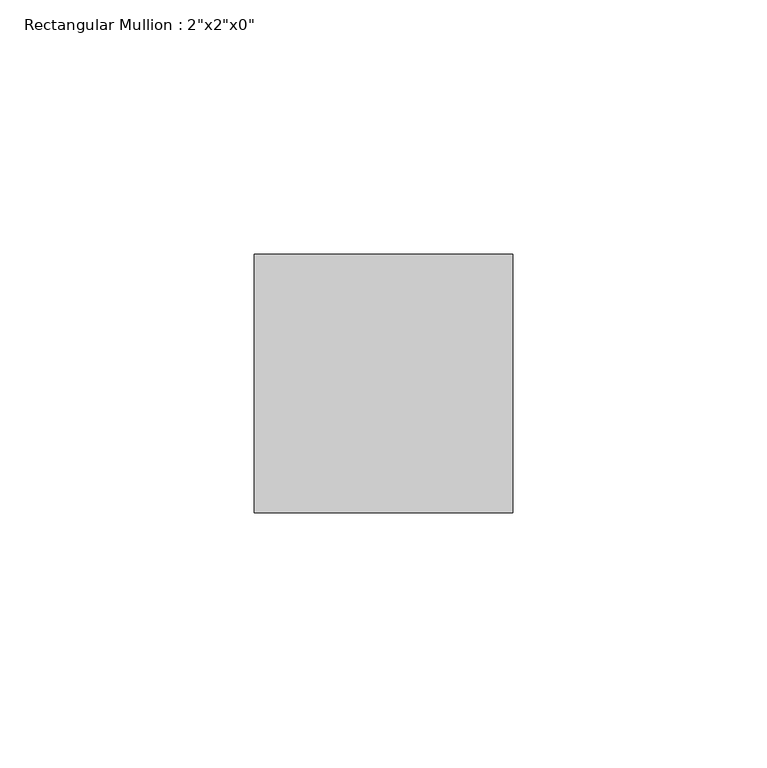
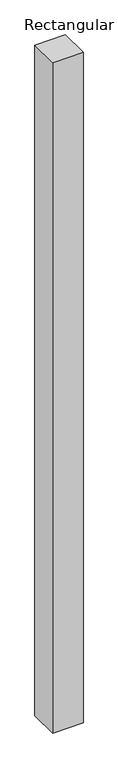
"""IFC4 building model written with IfcOpenShell, lengths in millimetres: member geometry."""

import ifcopenshell
import ifcopenshell.guid

model = None  # the IFC model being written
_history = None  # IfcOwnerHistory: only IFC2X3 demands one
_inside = {}  # id of a spatial element -> (the spatial element, [elements in it])
_under = {}  # id of a project, library or spatial element -> (it, [spatial elements below it])
_declared = {}  # id of a project -> (the project, [libraries it declares])
_typed = {}  # id of a type object -> (the type object, [elements of that type])
_made_of = {}  # id of a material, layer set ... -> (it, [elements and type objects made of it])


def new_model(schema):
    """Start an empty IFC model of exactly this schema.

    Asked for "IFC4X3", IfcOpenShell would pick the latest addendum, in which some entities
    have other attributes; the version numbers below select the first issue.
    IFC2X3 requires an IfcOwnerHistory on every rooted entity: one is made here for all.
    """
    global model, _history
    if schema == "IFC4X3":
        model = ifcopenshell.file(schema_version=(4, 3, 0, 0))
    else:
        model = ifcopenshell.file(schema=schema)
    _inside.clear()
    _under.clear()
    _declared.clear()
    _typed.clear()
    _made_of.clear()
    _history = None
    if model.schema == "IFC2X3":
        org = make("IfcOrganization", Name="unknown")
        user = make(
            "IfcPersonAndOrganization",
            ThePerson=make("IfcPerson", FamilyName="unknown"),
            TheOrganization=org,
        )
        app = make(
            "IfcApplication",
            ApplicationDeveloper=org,
            Version="unknown",
            ApplicationFullName="unknown",
            ApplicationIdentifier="unknown",
        )
        _history = make(
            "IfcOwnerHistory",
            OwningUser=user,
            OwningApplication=app,
            ChangeAction="ADDED",
            CreationDate=0,
        )
    return model


def make(cls, **values):
    """One entity of the class cls with the attributes given. An attribute that is None is left unset."""
    return model.create_entity(
        cls, **{name: value for name, value in values.items() if value is not None}
    )


def rooted(cls, **values):
    """An entity with a GlobalId (a new one), such as an element, a storey or a relation."""
    return make(cls, GlobalId=ifcopenshell.guid.new(), OwnerHistory=_history, **values)


def si_unit(unit_type, name, prefix=None):
    """IfcSIUnit, for example si_unit("LENGTHUNIT", "METRE", prefix="MILLI")."""
    return make("IfcSIUnit", UnitType=unit_type, Prefix=prefix, Name=name)


def assignment(units):
    """IfcUnitAssignment: the units of a project."""
    return None if units is None else make("IfcUnitAssignment", Units=units)


def point(xyz):
    """IfcCartesianPoint."""
    return None if xyz is None else make("IfcCartesianPoint", Coordinates=xyz)


def direction(xyz):
    """IfcDirection."""
    return None if xyz is None else make("IfcDirection", DirectionRatios=xyz)


def frame(location, z_axis=None, x_axis=None):
    """IfcAxis2Placement3D, a coordinate frame: its origin and axes. An axis left out is left unset."""
    return make(
        "IfcAxis2Placement3D",
        Location=point(location),
        Axis=direction(z_axis),
        RefDirection=direction(x_axis),
    )


def origin():
    """The frame at (0, 0, 0) with its axes left unset."""
    return frame((0.0, 0.0, 0.0))


def place(relative_to, where):
    """IfcLocalPlacement: puts the frame where relative to a parent placement (None: the world)."""
    return make(
        "IfcLocalPlacement", PlacementRelTo=relative_to, RelativePlacement=where
    )


def context(
    kind, dimensions, precision=None, world=None, true_north=None, identifier=None
):
    """IfcGeometricRepresentationContext, for example the 3D "Model" context."""
    return make(
        "IfcGeometricRepresentationContext",
        ContextIdentifier=identifier,
        ContextType=kind,
        CoordinateSpaceDimension=dimensions,
        Precision=precision,
        WorldCoordinateSystem=world,
        TrueNorth=true_north,
    )


def project(units=None, contexts=None):
    """IfcProject with its units and contexts."""
    return rooted(
        "IfcProject",
        Name="project",
        RepresentationContexts=contexts,
        UnitsInContext=assignment(units),
    )


def spatial(cls, under=None, at=None, **own):
    """A site, building, storey or space (cls), placed at a placement, below another one or the project."""
    s = rooted(cls, ObjectPlacement=at, **own)
    if under is not None:
        _under.setdefault(under.id(), (under, []))[1].append(s)
    return s


def polyline(points):
    """IfcPolyline through the points."""
    return make("IfcPolyline", Points=[point(p) for p in points])


def outline(outer, holes=None, kind="AREA"):
    """IfcArbitraryClosedProfileDef: a profile drawn as a closed curve; with holes, ...WithVoids."""
    if holes is None:
        return make("IfcArbitraryClosedProfileDef", ProfileType=kind, OuterCurve=outer)
    return make(
        "IfcArbitraryProfileDefWithVoids",
        ProfileType=kind,
        OuterCurve=outer,
        InnerCurves=holes,
    )


def extrude(swept, where, along, depth):
    """IfcExtrudedAreaSolid: the profile swept, set in the frame where, extruded along a direction by depth."""
    return make(
        "IfcExtrudedAreaSolid",
        SweptArea=swept,
        Position=where,
        ExtrudedDirection=direction(along),
        Depth=depth,
    )


def shape(context_of_items, identifier, shape_type, items):
    """IfcShapeRepresentation: the items that make up one representation, for example the "Body"."""
    return make(
        "IfcShapeRepresentation",
        ContextOfItems=context_of_items,
        RepresentationIdentifier=identifier,
        RepresentationType=shape_type,
        Items=items,
    )


def source(mapping_origin, context_of_items, identifier, shape_type, items):
    """IfcRepresentationMap: a shape defined once, which mapped items show again and again."""
    return make(
        "IfcRepresentationMap",
        MappingOrigin=mapping_origin,
        MappedRepresentation=shape(context_of_items, identifier, shape_type, items),
    )


def transform(
    local_origin,
    x_axis=None,
    y_axis=None,
    z_axis=None,
    scale=None,
    scale2=None,
    scale3=None,
    uniform=True,
):
    """IfcCartesianTransformationOperator3D, or its non-uniform kind. x_axis, y_axis, z_axis: its Axis1, 2, 3."""
    if uniform:
        return make(
            "IfcCartesianTransformationOperator3D",
            Axis1=direction(x_axis),
            Axis2=direction(y_axis),
            LocalOrigin=point(local_origin),
            Scale=scale,
            Axis3=direction(z_axis),
        )
    return make(
        "IfcCartesianTransformationOperator3DnonUniform",
        Axis1=direction(x_axis),
        Axis2=direction(y_axis),
        LocalOrigin=point(local_origin),
        Scale=scale,
        Axis3=direction(z_axis),
        Scale2=scale2,
        Scale3=scale3,
    )


def mapped(mapping_source, mapping_target):
    """IfcMappedItem: shows the shape of a source again, moved by a transform."""
    return make(
        "IfcMappedItem", MappingSource=mapping_source, MappingTarget=mapping_target
    )


def made_of(thing, what):
    """Note that an element or type object is made of a material, layer set ...; save() writes the relation."""
    if what is not None:
        _made_of.setdefault(what.id(), (what, []))[1].append(thing)
    return thing


def element(
    cls,
    number,
    at=None,
    inside=None,
    cuts=None,
    type_object=None,
    material=None,
    context=None,
    identifier="Body",
    shape_type=None,
    held_by="IfcProductDefinitionShape",
    body=None,
    shapes=None,
    **own,
):
    """One element of the class cls, such as IfcWall. Its Tag is "e" and its number.

    at: its placement. inside: the storey or other place that contains it. cuts: it is an
    opening in that element (IfcRelVoidsElement). A single representation is given by context,
    identifier, shape_type and body (its items); several are given by shapes. held_by: the class
    of the entity that holds the representations. save() writes the other relations.
    """
    e = rooted(cls, Tag="e%d" % number, ObjectPlacement=at, **own)
    if body is not None:
        shapes = [shape(context, identifier, shape_type, body)]
    if shapes is not None:
        e.Representation = make(held_by, Representations=shapes)
    if inside is not None:
        _inside.setdefault(inside.id(), (inside, []))[1].append(e)
    if cuts is not None:
        rooted(
            "IfcRelVoidsElement", RelatingBuildingElement=cuts, RelatedOpeningElement=e
        )
    if type_object is not None:
        _typed.setdefault(type_object.id(), (type_object, []))[1].append(e)
    return made_of(e, material)


def aggregate(whole, parts):
    """IfcRelAggregates: a whole, such as a stair, and the parts it consists of."""
    return rooted("IfcRelAggregates", RelatingObject=whole, RelatedObjects=parts)


def save(model, path):
    """Write the relations noted so far, then the file.

    IfcRelAggregates (storeys below a building ...), IfcRelContainedInSpatialStructure (elements
    in a storey), IfcRelDefinesByType, IfcRelAssociatesMaterial and IfcRelDeclares: one each for
    every whole, place, type object, material and project.
    """
    for whole, parts in _under.values():
        aggregate(whole, parts)
    for where, things in _inside.values():
        rooted(
            "IfcRelContainedInSpatialStructure",
            RelatedElements=things,
            RelatingStructure=where,
        )
    for kind, things in _typed.values():
        rooted("IfcRelDefinesByType", RelatedObjects=things, RelatingType=kind)
    for what, things in _made_of.values():
        rooted("IfcRelAssociatesMaterial", RelatedObjects=things, RelatingMaterial=what)
    for by, libraries in _declared.values():
        rooted("IfcRelDeclares", RelatingContext=by, RelatedDefinitions=libraries)
    model.write(path)


def member_f7cd7f83(model_context):
    return source(origin(), model_context, "Body", "SweptSolid", [
        extrude(outline(polyline([(25.4, 25.4), (25.4, -25.4), (-25.4, -25.4), (-25.4, 25.4), (25.4, 25.4)])), frame((0.0, 0.0, -1180.5340336), z_axis=(0.0, 0.0, 1.0), x_axis=(1.0, 0.0, 0.0)), (0.0, 0.0, 1.0), 1180.5340336),
    ])


if __name__ == "__main__":
    model = new_model("IFC4")
    model_context = context("Model", 3, world=origin())
    ifc_project = project(units=[si_unit("LENGTHUNIT", "METRE", prefix="MILLI")], contexts=[model_context])
    site = spatial("IfcSite", under=ifc_project)
    building = spatial("IfcBuilding", under=site)
    placement = place(None, origin())
    member_shape = member_f7cd7f83(model_context)
    element("IfcMember", 1, ObjectType="Rectangular Mullion : 2\"x2\"x0\"", at=placement, inside=building, context=model_context, shape_type="MappedRepresentation", body=[
        mapped(member_shape, transform((0.0, 0.0, 0.0), x_axis=(1.0, 0.0, 0.0), y_axis=(0.0, 1.0, 0.0), z_axis=(0.0, 0.0, 1.0))),
    ])
    save(model, "model.ifc")
